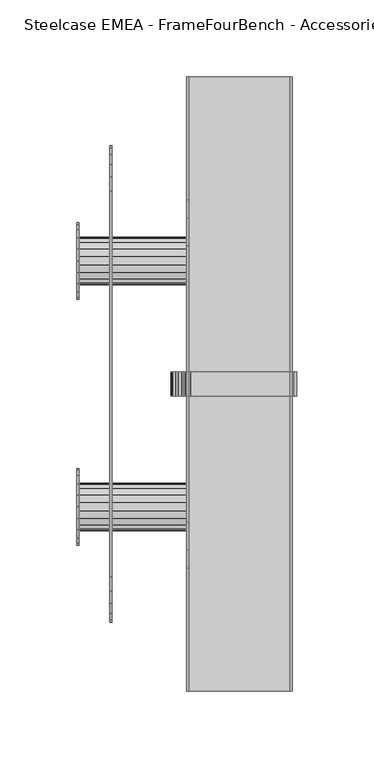
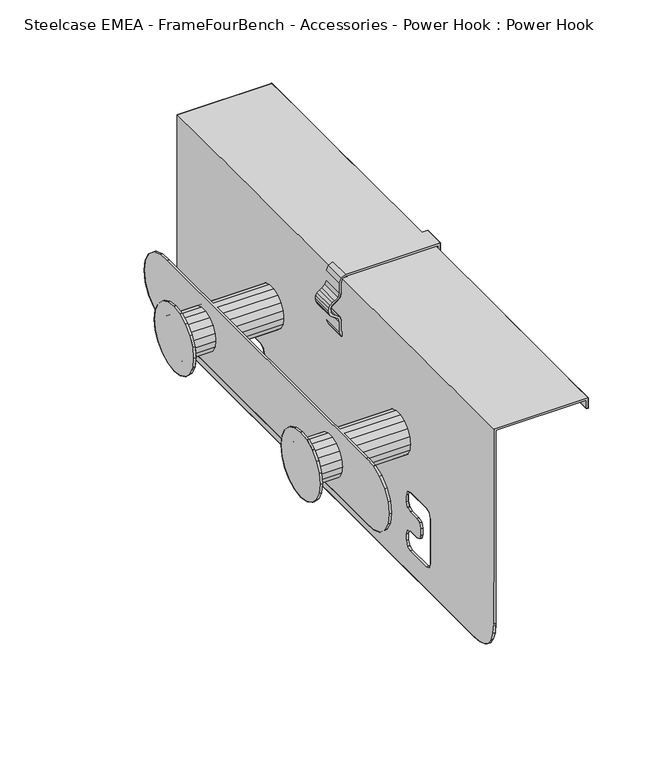
"""IFC4 building model written with IfcOpenShell, lengths in millimetres: furniture geometry, Steelcase EMEA - FrameFourBench - Accessories - Power Hook : Power Hook."""

from ifc_helpers import new_model, si_unit, origin, place, context, project, spatial, triangles, source, transform, mapped, element, save


def steelcase_emea_framefourbench_accessories_power_hook_power_973cae0b(model_context):
    return source(origin(), model_context, "Body", "Tessellation", [
        triangles([(226.5898487, -592.1582072, 1018.4996385), (226.5898487, -608.1581935, 1018.4996385), (226.5898487, -608.1581935, 970.4996393), (226.5898487, -592.1582072, 970.4996393), (157.5898467, -592.1582072, 970.4996393), (157.5898467, -608.1581935, 970.4996393), (154.0546905, -608.1581935, 971.9641166), (154.0546905, -592.1582072, 971.9641166), (152.5898467, -592.1582072, 975.4996384), (152.5898467, -608.1581935, 975.4996384), (152.5898467, -592.1582072, 983.1859175), (152.5898467, -608.1581935, 983.1859175), (151.6718781, -592.1582072, 986.0726372), (151.6718781, -608.1581935, 986.0726372), (149.2558626, -592.1582072, 987.8999671), (149.2558626, -608.1581935, 987.8999671), (145.8730499, -592.1582072, 990.4581958), (147.4414089, -592.1582072, 989.0739189), (147.4414089, -608.1581935, 989.0739189), (145.8730499, -608.1581935, 990.4581958), (144.5898462, -592.1582072, 994.4996392), (144.8964874, -592.1582072, 992.3338057), (144.8964874, -608.1581935, 992.3338057), (144.5898462, -608.1581935, 994.4996392), (157.5898467, -592.1582072, 1018.4996385), (157.5898467, -608.1581935, 1018.4996385), (154.0546905, -592.1582072, 1017.035161), (154.0546905, -608.1581935, 1017.035161), (152.5898467, -592.1582072, 1013.4996386), (152.5898467, -608.1581935, 1013.4996386), (152.5898467, -592.1582072, 1005.8133597), (152.5898467, -608.1581935, 1005.8133597), (151.6718781, -592.1582072, 1002.9265799), (151.6718781, -608.1581935, 1002.9265799), (149.2558626, -592.1582072, 1001.0992477), (149.2558626, -608.1581935, 1001.0992477), (145.8730499, -592.1582072, 998.5410815), (145.8730499, -608.1581935, 998.5410815), (147.4492215, -608.1581935, 999.9206587), (147.4492215, -592.1582072, 999.9206587), (144.8242217, -608.1581935, 996.6501507), (144.8242217, -592.1582072, 996.6501507), (224.5898482, -608.1581935, 1016.5242357), (224.5898482, -592.1582072, 1016.5242357), (224.5898482, -592.1582072, 972.474982), (224.5898482, -608.1581935, 972.474982), (157.5898467, -592.1582072, 972.474982), (157.5898467, -608.1581935, 972.474982), (155.468753, -592.1582072, 973.3783017), (155.468753, -608.1581935, 973.3783017), (154.5761749, -592.1582072, 975.4996384), (154.5761749, -608.1581935, 975.4996384), (154.5664092, -592.1582072, 983.4925576), (154.5664092, -608.1581935, 983.4925576), (153.3046904, -592.1582072, 987.227361), (153.3046904, -608.1581935, 987.227361), (150.4628937, -592.1582072, 989.4950006), (150.4628937, -608.1581935, 989.4950006), (148.8847688, -592.1582072, 990.470829), (148.8847688, -608.1581935, 990.470829), (147.5078157, -608.1581935, 991.6128582), (147.5078157, -592.1582072, 991.6128582), (146.8046905, -592.1582072, 992.9470269), (146.8046905, -608.1581935, 992.9470269), (157.5898467, -608.1581935, 1016.5242357), (157.5898467, -592.1582072, 1016.5242357), (155.468753, -608.1581935, 1015.6209154), (155.468753, -592.1582072, 1015.6209154), (154.5761749, -608.1581935, 1013.264531), (154.5761749, -592.1582072, 1013.264531), (154.5664092, -608.1581935, 1005.5066572), (154.5664092, -592.1582072, 1005.5066572), (153.3046904, -608.1581935, 1001.771855), (153.3046904, -592.1582072, 1001.771855), (150.4628937, -608.1581935, 999.5042165), (150.4628937, -592.1582072, 999.5042165), (148.8925814, -608.1581935, 998.5243583), (148.8925814, -592.1582072, 998.5243583), (147.5078157, -608.1581935, 997.3863566), (146.7519559, -608.1581935, 996.0412648), (147.5078157, -592.1582072, 997.3863566), (146.7519559, -592.1582072, 996.0412648), (146.5898468, -608.1581935, 994.4996392), (146.5898468, -592.1582072, 994.4996392), (156.0898467, -400.3183544, 1014.9996386), (154.5898467, -400.3183544, 1016.4996386), (223.5898456, -400.3183544, 1016.4996996), (222.0898463, -400.3183544, 1014.9996386), (154.5898467, -425.3124955, 1016.4996386), (154.5898467, -485.3183532, 1016.4996386), (223.5898456, -485.3164002, 1016.4996996), (223.5898456, -425.3105425, 1016.4996996), (222.0898463, -400.3183544, 1008.4996386), (223.5898456, -400.3183544, 1008.4996386), (223.5898456, -425.3105425, 1008.4996386), (222.0898463, -425.3105425, 1008.4996386), (156.0898467, -400.3183544, 866.4996374), (156.0898467, -401.0136669, 858.8607141), (154.5898467, -401.0136669, 858.8607141), (154.5898467, -400.3183544, 866.4996374), (156.0898467, -403.0956981, 852.6107141), (154.5898467, -403.0956981, 852.6107141), (156.0898467, -406.5683544, 847.7496373), (154.5898467, -406.5683544, 847.7496373), (156.0898467, -411.4296822, 844.277411), (154.5898467, -411.4296822, 844.277411), (156.0898467, -417.6796822, 842.1940897), (154.5898467, -417.6796822, 842.1940897), (156.0898467, -425.3183546, 841.4996372), (154.5898467, -425.3183546, 841.4996372), (154.5898467, -425.3144485, 866.5001279), (222.0898463, -425.3105425, 1014.9996386), (222.0898463, -485.3164002, 1008.4996386), (222.0898463, -485.3164002, 1014.9996386), (223.5898456, -485.3164002, 1008.4996386), (156.0898467, -425.3105425, 1014.9996386), (154.5898467, -400.3183544, 898.9997612), (154.5898467, -425.3144485, 899.0000065), (156.0898467, -400.3183544, 898.9997612), (154.5898467, -485.3183532, 841.4996372), (156.0898467, -485.3183532, 841.4996372), (154.5898467, -505.3183588, 841.4996372), (156.0898467, -505.3183588, 841.4996372), (154.5898467, -505.3183588, 1016.4996386), (154.5898467, -694.9960798, 1016.4996386), (223.5898456, -694.9960798, 1016.4996996), (223.5898456, -505.3163967, 1016.4996996), (222.0898463, -505.3163967, 1008.4996386), (222.0898463, -694.9960798, 1008.4996386), (222.0898463, -694.9960798, 1014.9996386), (222.0898463, -505.3163967, 1014.9996386), (223.5898456, -694.9960798, 1008.4996386), (223.5898456, -505.3163967, 1008.4996386), (154.5898467, -485.3183532, 903.9998194), (156.0898467, -485.3183532, 903.9997013), (156.0898467, -505.3183588, 903.9997013), (154.5898467, -505.3183588, 903.9998194), (154.5898467, -480.3203116, 863.9998808), (156.0898467, -480.3203116, 863.9996447), (156.0898467, -480.3183586, 898.9996976), (154.5898467, -480.3183586, 898.9998248), (154.5898467, -510.3183534, 893.9998847), (154.5898467, -510.3183534, 898.9998248), (156.0898467, -510.3183534, 898.9996976), (156.0898467, -510.3183534, 893.999703), (154.5898467, -497.3183566, 888.999881), (154.5898467, -505.3183588, 888.999881), (156.0898467, -505.3183588, 888.9996994), (156.0898467, -497.3183566, 888.9996994), (154.5898467, -492.3183529, 878.9996375), (154.5898467, -492.3183529, 883.9998864), (156.0898467, -492.3183529, 883.9996957), (156.0898467, -492.3183529, 878.9996375), (156.0898467, -510.3183534, 868.9996392), (156.0898467, -510.3183534, 863.9996447), (154.5898467, -510.3183534, 863.9998808), (154.5898467, -510.3183534, 868.9996392), (156.0898467, -497.3183566, 873.9996429), (156.0898467, -505.3183588, 873.9996429), (154.5898467, -505.3183588, 873.9996429), (154.5898467, -497.3183566, 873.9996429), (154.5898467, -505.3183588, 858.9998772), (156.0898467, -505.3183588, 858.999641), (156.0898467, -485.3203062, 858.999641), (154.5898467, -485.3203062, 858.9998772), (156.0898467, -694.9941359, 841.4996372), (154.5898467, -694.9941359, 841.4996372), (156.0898467, -508.9296845, 902.6107872), (154.5898467, -508.9296845, 902.6109052), (156.0898467, -508.9296845, 890.388559), (154.5898467, -508.9296845, 890.3887407), (156.0898467, -493.7070218, 887.6107852), (154.5898467, -493.7070218, 887.6109669), (156.0898467, -493.7089839, 875.3885571), (154.5898467, -493.7070218, 875.3885571), (156.0898467, -508.9296845, 860.388546), (154.5898467, -508.9296845, 860.3887459), (154.5898467, -508.9296845, 872.6107833), (156.0898467, -508.9296845, 872.6107833), (154.5898467, -481.7089805, 902.6109052), (156.0898467, -481.7089805, 902.6107872), (154.5898467, -481.7089805, 860.3887459), (156.0898467, -481.7089805, 860.388546), (156.0898467, -505.3163967, 1014.9996386), (156.0898467, -694.9960798, 1014.9996386), (154.5898467, -689.9960943, 898.9998248), (154.5898467, -691.3847631, 902.6109052), (154.5898467, -691.3847631, 860.3887459), (154.5898467, -689.9941322, 863.9998808), (156.0898467, -425.3144485, 866.5001279), (156.0898467, -425.3144485, 899.0000065), (156.0898467, -485.3183532, 1014.9996386), (156.0898467, -691.3828011, 872.6107833), (156.0898467, -689.9941322, 868.9996392), (156.0898467, -691.3847631, 890.388559), (156.0898467, -689.9960943, 893.999703), (156.0898467, -689.9960943, 898.9996976), (156.0898467, -799.9941403, 1014.9996386), (222.0898463, -799.9941403, 1014.9996386), (223.5898456, -799.9941403, 1016.4996996), (154.5898467, -799.9941403, 1016.4996386), (154.5898467, -775.0019521, 1016.4996386), (223.5898456, -775.0039142, 1016.4996996), (223.5898456, -714.9960945, 1016.4996996), (154.5898467, -714.9960945, 1016.4996386), (222.0898463, -799.9941403, 1008.4996386), (222.0898463, -775.0039142, 1008.4996386), (223.5898456, -775.0039142, 1008.4996386), (223.5898456, -799.9941403, 1008.4996386), (156.0898467, -799.9941403, 866.4996374), (154.5898467, -799.9941403, 866.4996374), (154.5898467, -799.3007596, 858.8607141), (156.0898467, -799.3007596, 858.8607141), (154.5898467, -797.2168025, 852.6107141), (156.0898467, -797.2168025, 852.6107141), (154.5898467, -793.7441221, 847.7496373), (156.0898467, -793.7441221, 847.7496373), (154.5898467, -788.884753, 844.277411), (156.0898467, -788.884753, 844.277411), (154.5898467, -782.6347711, 842.1940897), (156.0898467, -782.6347711, 842.1940897), (154.5898467, -774.9961022, 841.4996372), (156.0898467, -774.9941401, 841.4996372), (154.5898467, -774.9980279, 866.5001279), (222.0898463, -775.0039142, 1014.9996386), (222.0898463, -714.9960945, 1014.9996386), (222.0898463, -714.9960945, 1008.4996386), (223.5898456, -714.9960945, 1008.4996386), (156.0898467, -775.0019521, 1014.9996386), (154.5898467, -774.99999, 899.0000065), (154.5898467, -799.9941403, 898.9997612), (156.0898467, -799.9941403, 898.9997612), (154.5898467, -714.9960945, 841.4996372), (156.0898467, -714.9960945, 841.4996372), (154.5898467, -714.9941324, 903.9998194), (154.5898467, -694.9960798, 903.9998194), (156.0898467, -694.9960798, 903.9997013), (156.0898467, -714.9941324, 903.9997013), (154.5898467, -719.9941179, 863.9998808), (154.5898467, -719.9941179, 898.9998248), (156.0898467, -719.9941179, 898.9996976), (156.0898467, -719.9921921, 863.9996447), (154.5898467, -689.9960943, 893.9998847), (154.5898467, -702.9941381, 888.999881), (156.0898467, -702.9941381, 888.9996994), (156.0898467, -694.9941359, 888.9996994), (154.5898467, -694.9960798, 888.999881), (154.5898467, -707.9941236, 878.9996375), (156.0898467, -707.9941236, 878.9996375), (156.0898467, -707.9941236, 883.9996957), (154.5898467, -707.9941236, 883.9998864), (154.5898467, -689.9941322, 868.9996392), (156.0898467, -689.9941322, 863.9996447), (156.0898467, -702.9941381, 873.9996429), (154.5898467, -702.9941381, 873.9996429), (154.5898467, -694.9941359, 873.9996429), (156.0898467, -694.9941359, 873.9996429), (154.5898467, -694.9941359, 858.9998772), (154.5898467, -714.9941324, 858.9998772), (156.0898467, -714.9921703, 858.999641), (156.0898467, -694.9941359, 858.999641), (156.0898467, -691.3847631, 902.6107872), (154.5898467, -691.3847631, 890.3887407), (154.5898467, -706.6054729, 887.6109669), (156.0898467, -706.6054729, 887.6107852), (154.5898467, -706.6054729, 875.3885571), (156.0898467, -706.6054729, 875.3885571), (156.0898467, -691.3828011, 860.388546), (154.5898467, -691.3847631, 872.6107833), (154.5898467, -718.6054672, 902.6109052), (156.0898467, -718.6054672, 902.6107872), (156.0898467, -718.6035051, 860.388546), (154.5898467, -718.6054672, 860.3887459), (156.0898467, -774.9980279, 866.5001279), (156.0898467, -774.99999, 899.0000065), (156.0898467, -714.9960945, 1014.9996386), (154.5898467, -535.5156163, 941.499638), (154.5898467, -534.587884, 946.7518973), (84.5898453, -534.587884, 946.7518973), (84.5898453, -535.5156163, 941.499638), (154.5898467, -531.9218676, 951.3706697), (84.5898453, -531.9218676, 951.3706697), (154.5898467, -527.8359342, 954.7988308), (84.5898453, -527.8359342, 954.7988308), (154.5898467, -522.8242125, 956.6229291), (84.5898453, -522.8242125, 956.6229291), (154.5898467, -517.4921797, 956.6229291), (84.5898453, -517.4921797, 956.6229291), (154.5898467, -512.4804671, 954.7988308), (84.5898453, -512.4804671, 954.7988308), (154.5898467, -508.3945246, 951.3706697), (84.5898453, -508.3945246, 951.3706697), (154.5898467, -505.7285082, 946.7518973), (84.5898453, -505.7285082, 946.7518973), (154.5898467, -504.8007759, 941.499638), (84.5898453, -504.8007759, 941.499638), (154.5898467, -505.7285082, 936.2473786), (84.5898453, -505.7285082, 936.2473786), (154.5898467, -508.3945246, 931.6286017), (84.5898453, -508.3945246, 931.6286017), (154.5898467, -512.4804671, 928.2004407), (84.5898453, -512.4804671, 928.2004407), (154.5898467, -517.4921797, 926.3763514), (84.5898453, -517.4921797, 926.3763514), (154.5898467, -522.8242125, 926.3763514), (84.5898453, -522.8242125, 926.3763514), (154.5898467, -527.8359342, 928.2004407), (84.5898453, -527.8359342, 928.2004407), (154.5898467, -531.9218676, 931.6286017), (84.5898453, -531.9218676, 931.6286017), (154.5898467, -534.587884, 936.247315), (84.5898453, -534.587884, 936.247315), (154.5898467, -695.5156157, 941.499638), (154.5898467, -694.5878925, 946.7518973), (84.5898453, -694.5878925, 946.7518973), (84.5898453, -695.5156157, 941.499638), (154.5898467, -691.921867, 951.3706697), (84.5898453, -691.921867, 951.3706697), (154.5898467, -687.8359245, 954.7988308), (84.5898453, -687.8359245, 954.7988308), (154.5898467, -682.824221, 956.6229291), (84.5898453, -682.824221, 956.6229291), (154.5898467, -677.4921882, 956.6229291), (84.5898453, -677.4921882, 956.6229291), (154.5898467, -672.4804665, 954.7988308), (84.5898453, -672.4804665, 954.7988308), (154.5898467, -668.394524, 951.3706697), (84.5898453, -668.394524, 951.3706697), (154.5898467, -665.7285167, 946.7518973), (84.5898453, -665.7285167, 946.7518973), (154.5898467, -664.8007753, 941.499638), (84.5898453, -664.8007753, 941.499638), (154.5898467, -665.7285167, 936.2473786), (84.5898453, -665.7285167, 936.2473786), (154.5898467, -668.394524, 931.6286017), (84.5898453, -668.394524, 931.6286017), (154.5898467, -672.4804665, 928.2004407), (84.5898453, -672.4804665, 928.2004407), (154.5898467, -677.4921882, 926.3763514), (84.5898453, -677.4921882, 926.3763514), (154.5898467, -682.824221, 926.3763514), (84.5898453, -682.824221, 926.3763514), (154.5898467, -687.8359245, 928.2004407), (84.5898453, -687.8359245, 928.2004407), (154.5898467, -691.921867, 931.6286017), (84.5898453, -691.921867, 931.6286017), (154.5898467, -694.5878925, 936.247315), (84.5898453, -694.5878925, 936.247315), (106.0898456, -474.3847591, 966.5000061), (106.0898456, -465.7363226, 966.0224053), (104.5898463, -465.7363226, 966.0224053), (104.5898463, -474.3847591, 966.5000061), (106.0898456, -457.6093705, 963.0646416), (104.5898463, -457.6093705, 963.0646416), (106.0898456, -450.9863236, 957.5058648), (104.5898463, -450.9863236, 957.5058648), (106.0898456, -446.6621054, 950.0165464), (104.5898463, -446.6621054, 950.0165464), (106.0898456, -445.1601531, 941.5000059), (104.5898463, -445.1601531, 941.5000059), (106.0898456, -446.6621054, 932.9834609), (104.5898463, -446.6621054, 932.9834609), (106.0898456, -450.9863236, 925.4941469), (104.5898463, -450.9863236, 925.4941469), (106.0898456, -457.6093705, 919.9353111), (104.5898463, -457.6093705, 919.9353111), (106.0898456, -465.7363226, 916.9775429), (104.5898463, -465.7363226, 916.9775429), (106.0898456, -474.3847591, 916.5000011), (104.5898463, -474.3847591, 916.5000011), (106.0898456, -474.3847591, 941.5000649), (104.5898463, -474.3847591, 940.948368), (106.0898456, -725.9316188, 916.5000011), (104.5898463, -725.9316188, 916.5000011), (106.0898456, -725.9316188, 941.5000649), (106.0898456, -725.9316188, 966.5000061), (104.5898463, -725.9316188, 966.5000061), (104.5898463, -734.5800735, 966.0224053), (106.0898456, -734.5800735, 966.0224053), (104.5898463, -742.7050863, 963.0646416), (106.0898456, -742.7050863, 963.0646416), (104.5898463, -749.3300816, 957.5058648), (106.0898456, -749.3300816, 957.5058648), (104.5898463, -753.6543089, 950.0165464), (106.0898456, -753.6543089, 950.0165464), (104.5898463, -755.1562521, 941.5000059), (106.0898456, -755.1562521, 941.5000059), (104.5898463, -753.6543089, 932.9834609), (106.0898456, -753.6543089, 932.9834609), (104.5898463, -749.3300816, 925.4941469), (106.0898456, -749.3300816, 925.4941469), (104.5898463, -742.7050863, 919.9353111), (106.0898456, -742.7050863, 919.9353111), (106.0898456, -734.5800735, 916.9775429), (104.5898463, -734.5800735, 916.9775429), (104.5898463, -725.9316188, 940.948368), (84.5898453, -705.1582139, 941.499638), (84.5898453, -703.9355414, 949.2250431), (83.089846, -703.9355414, 949.2250431), (83.089846, -705.1582139, 941.499638), (84.5898453, -700.3828149, 956.1942806), (83.089846, -700.3828149, 956.1942806), (84.5898453, -694.8535194, 961.7250432), (83.089846, -694.8535194, 961.7250432), (84.5898453, -687.8828148, 965.2760074), (83.089846, -687.8828148, 965.2760074), (84.5898453, -680.1581955, 966.4996382), (83.089846, -680.1581955, 966.4996382), (84.5898453, -672.4335943, 965.2760074), (83.089846, -672.4335943, 965.2760074), (84.5898453, -665.4628897, 961.7250432), (83.089846, -665.4628897, 961.7250432), (84.5898453, -659.9335942, 956.1942171), (83.089846, -659.9335942, 956.1942171), (84.5898453, -656.3808496, 949.2250431), (83.089846, -656.3808496, 949.2250431), (84.5898453, -655.1581953, 941.499638), (83.089846, -655.1581953, 941.499638), (84.5898453, -656.3808496, 933.7741739), (83.089846, -656.3808496, 933.7741739), (84.5898453, -659.9335942, 926.8049953), (83.089846, -659.9335942, 926.8049953), (84.5898453, -665.4628897, 921.2741738), (83.089846, -665.4628897, 921.2741738), (84.5898453, -672.4335943, 917.7232095), (83.089846, -672.4335943, 917.7232095), (84.5898453, -680.1581955, 916.4996378), (83.089846, -680.1581955, 916.4996378), (84.5898453, -687.8828148, 917.7232095), (83.089846, -687.8828148, 917.7232095), (84.5898453, -694.8535194, 921.2742373), (83.089846, -694.8535194, 921.2742373), (84.5898453, -700.3828149, 926.8049953), (83.089846, -700.3828149, 926.8049953), (84.5898453, -703.9355414, 933.7742374), (83.089846, -703.9355414, 933.7742374), (84.5898453, -680.1581955, 941.499638), (83.089846, -680.1581955, 941.499638), (84.5898453, -545.1581963, 941.499638), (84.5898453, -543.935542, 949.2250431), (83.089846, -543.935542, 949.2250431), (83.089846, -545.1581963, 941.499638), (84.5898453, -540.3828064, 956.1942806), (83.089846, -540.3828064, 956.1942806), (84.5898453, -534.853511, 961.7250432), (83.089846, -534.853511, 961.7250432), (84.5898453, -527.8828063, 965.2760074), (83.089846, -527.8828063, 965.2760074), (84.5898453, -520.1581961, 966.4996382), (83.089846, -520.1581961, 966.4996382), (84.5898453, -512.4335858, 965.2760074), (83.089846, -512.4335858, 965.2760074), (84.5898453, -505.4628812, 961.7250432), (83.089846, -505.4628812, 961.7250432), (84.5898453, -499.9335857, 956.1942171), (83.089846, -499.9335857, 956.1942171), (84.5898453, -496.3808502, 949.2250431), (83.089846, -496.3808502, 949.2250431), (84.5898453, -495.1581959, 941.499638), (83.089846, -495.1581959, 941.499638), (84.5898453, -496.3808502, 933.7741739), (83.089846, -496.3808502, 933.7741739), (84.5898453, -499.9335857, 926.8049953), (83.089846, -499.9335857, 926.8049953), (84.5898453, -505.4628812, 921.2741738), (83.089846, -505.4628812, 921.2741738), (84.5898453, -512.4335858, 917.7232095), (83.089846, -512.4335858, 917.7232095), (84.5898453, -520.1581961, 916.4996378), (83.089846, -520.1581961, 916.4996378), (84.5898453, -527.8828063, 917.7232095), (83.089846, -527.8828063, 917.7232095), (84.5898453, -534.853511, 921.2742373), (83.089846, -534.853511, 921.2742373), (84.5898453, -540.3828064, 926.8049953), (83.089846, -540.3828064, 926.8049953), (84.5898453, -543.935542, 933.7742374), (83.089846, -543.935542, 933.7742374), (84.5898453, -520.1581961, 941.499638), (83.089846, -520.1581961, 941.499638)], [[1, 2, 3], [1, 3, 4], [5, 4, 3], [5, 3, 6], [5, 6, 7], [5, 7, 8], [9, 8, 7], [9, 7, 10], [11, 9, 10], [11, 10, 12], [13, 11, 12], [13, 12, 14], [15, 13, 14], [15, 14, 16], [17, 18, 19], [17, 19, 20], [21, 22, 23], [21, 23, 24], [25, 26, 2], [25, 2, 1], [27, 28, 26], [27, 26, 25], [29, 30, 28], [29, 28, 27], [31, 32, 30], [31, 30, 29], [33, 34, 32], [33, 32, 31], [35, 36, 34], [35, 34, 33], [37, 38, 39], [37, 39, 40], [21, 24, 41], [21, 41, 42], [43, 44, 45], [43, 45, 46], [46, 45, 47], [46, 47, 48], [48, 47, 49], [48, 49, 50], [50, 49, 51], [50, 51, 52], [52, 51, 53], [52, 53, 54], [54, 53, 55], [54, 55, 56], [56, 55, 57], [56, 57, 58], [58, 57, 59], [58, 59, 60], [61, 62, 63], [61, 63, 64], [43, 65, 66], [43, 66, 44], [65, 67, 68], [65, 68, 66], [67, 69, 70], [67, 70, 68], [69, 71, 72], [69, 72, 70], [71, 73, 72], [73, 74, 72], [73, 75, 74], [75, 76, 74], [75, 77, 76], [77, 78, 76], [79, 80, 81], [80, 82, 81], [4, 45, 44], [4, 44, 1], [2, 43, 46], [2, 46, 3], [4, 5, 47], [4, 47, 45], [6, 3, 46], [6, 46, 48], [5, 8, 49], [5, 49, 47], [6, 48, 50], [6, 50, 7], [8, 9, 51], [8, 51, 49], [10, 7, 50], [10, 50, 52], [9, 11, 53], [9, 53, 51], [12, 10, 52], [12, 52, 54], [11, 13, 55], [11, 55, 53], [14, 12, 54], [14, 54, 56], [13, 15, 57], [13, 57, 55], [16, 14, 58], [14, 56, 58], [15, 18, 59], [15, 59, 57], [20, 19, 61], [19, 60, 61], [17, 22, 63], [17, 63, 62], [24, 23, 64], [24, 64, 83], [2, 26, 65], [2, 65, 43], [25, 1, 44], [25, 44, 66], [26, 28, 67], [26, 67, 65], [27, 25, 66], [27, 66, 68], [28, 30, 69], [28, 69, 67], [27, 68, 70], [27, 70, 29], [30, 32, 71], [30, 71, 69], [31, 29, 70], [31, 70, 72], [32, 34, 73], [32, 73, 71], [33, 31, 72], [33, 72, 74], [34, 36, 75], [34, 75, 73], [35, 33, 76], [33, 74, 76], [36, 39, 77], [36, 77, 75], [37, 40, 81], [40, 78, 81], [38, 41, 80], [38, 80, 79], [21, 42, 82], [21, 82, 84], [41, 38, 37], [41, 37, 42], [80, 83, 82], [83, 84, 82], [41, 24, 83], [41, 83, 80], [42, 37, 81], [42, 81, 82], [22, 17, 20], [22, 20, 23], [63, 84, 64], [84, 83, 64], [22, 21, 84], [22, 84, 63], [23, 20, 64], [20, 61, 64], [18, 15, 16], [18, 16, 19], [59, 62, 61], [59, 61, 60], [18, 17, 62], [18, 62, 59], [19, 16, 60], [16, 58, 60], [39, 36, 35], [39, 35, 40], [77, 79, 78], [79, 81, 78], [39, 38, 79], [39, 79, 77], [40, 35, 78], [35, 76, 78], [85, 86, 87], [85, 87, 88], [89, 90, 91], [89, 91, 92], [93, 94, 95], [93, 95, 96], [87, 92, 95], [87, 95, 94], [88, 87, 94], [88, 94, 93], [97, 98, 99], [97, 99, 100], [98, 101, 102], [98, 102, 99], [101, 103, 104], [101, 104, 102], [103, 105, 106], [103, 106, 104], [105, 107, 108], [105, 108, 106], [107, 109, 110], [107, 110, 108], [100, 99, 102], [100, 102, 111], [112, 96, 113], [112, 113, 114], [102, 104, 106], [102, 106, 111], [106, 108, 110], [106, 110, 111], [95, 115, 113], [95, 113, 96], [92, 91, 115], [92, 115, 95], [112, 88, 93], [112, 93, 96], [116, 85, 88], [116, 88, 112], [92, 87, 86], [92, 86, 89], [89, 86, 117], [89, 117, 118], [119, 97, 100], [119, 100, 117], [117, 100, 111], [117, 111, 118], [120, 110, 109], [120, 109, 121], [122, 120, 121], [122, 121, 123], [124, 125, 126], [124, 126, 127], [128, 129, 130], [128, 130, 131], [127, 126, 132], [127, 132, 133], [134, 135, 136], [134, 136, 137], [138, 139, 140], [138, 140, 141], [142, 143, 144], [142, 144, 145], [146, 147, 148], [146, 148, 149], [150, 151, 152], [150, 152, 153], [154, 155, 156], [154, 156, 157], [158, 159, 160], [158, 160, 161], [162, 163, 164], [162, 164, 165], [122, 123, 166], [122, 166, 167], [85, 119, 117], [85, 117, 86], [136, 168, 169], [136, 169, 137], [145, 170, 171], [145, 171, 142], [149, 172, 173], [149, 173, 146], [153, 174, 175], [153, 175, 150], [155, 176, 177], [155, 177, 156], [157, 178, 179], [157, 179, 154], [178, 171, 147], [178, 147, 160], [168, 144, 143], [168, 143, 169], [170, 148, 147], [170, 147, 171], [172, 152, 151], [172, 151, 173], [174, 158, 161], [174, 161, 175], [176, 163, 162], [176, 162, 177], [178, 160, 159], [178, 159, 179], [89, 118, 141], [89, 141, 180], [134, 180, 181], [134, 181, 135], [138, 182, 183], [138, 183, 139], [180, 141, 140], [180, 140, 181], [182, 165, 164], [182, 164, 183], [184, 131, 130], [184, 130, 185], [146, 173, 161], [173, 175, 161], [165, 182, 120], [182, 110, 120], [182, 138, 111], [182, 111, 110], [118, 111, 138], [118, 138, 141], [180, 134, 90], [180, 90, 89], [173, 151, 150], [173, 150, 175], [147, 146, 160], [146, 161, 160], [186, 187, 169], [186, 169, 143], [162, 165, 120], [162, 120, 122], [156, 177, 188], [156, 188, 189], [124, 90, 134], [124, 134, 137], [97, 190, 101], [97, 101, 98], [101, 190, 105], [101, 105, 103], [105, 190, 109], [105, 109, 107], [116, 191, 119], [116, 119, 85], [119, 191, 190], [119, 190, 97], [179, 159, 148], [179, 148, 170], [116, 181, 140], [116, 140, 191], [149, 158, 172], [158, 174, 172], [164, 121, 183], [121, 109, 183], [183, 109, 190], [183, 190, 139], [191, 140, 139], [191, 139, 190], [181, 116, 192], [181, 192, 135], [172, 174, 153], [172, 153, 152], [148, 159, 149], [159, 158, 149], [163, 123, 121], [163, 121, 164], [179, 193, 194], [179, 194, 154], [184, 136, 135], [184, 135, 192], [170, 195, 193], [170, 193, 179], [145, 196, 195], [145, 195, 170], [144, 197, 196], [144, 196, 145], [113, 128, 131], [113, 131, 114], [115, 133, 113], [133, 128, 113], [91, 127, 133], [91, 133, 115], [90, 124, 127], [90, 127, 91], [112, 114, 192], [112, 192, 116], [131, 184, 192], [131, 192, 114], [198, 199, 200], [198, 200, 201], [202, 203, 204], [202, 204, 205], [206, 207, 208], [206, 208, 209], [200, 209, 208], [200, 208, 203], [199, 206, 209], [199, 209, 200], [210, 211, 212], [210, 212, 213], [213, 212, 214], [213, 214, 215], [215, 214, 216], [215, 216, 217], [217, 216, 218], [217, 218, 219], [219, 218, 220], [219, 220, 221], [221, 220, 222], [221, 222, 223], [211, 224, 214], [211, 214, 212], [225, 226, 227], [225, 227, 207], [214, 224, 216], [224, 218, 216], [218, 224, 220], [224, 222, 220], [208, 207, 227], [208, 227, 228], [203, 208, 228], [203, 228, 204], [225, 207, 206], [225, 206, 199], [229, 225, 199], [229, 199, 198], [203, 202, 201], [203, 201, 200], [202, 230, 231], [202, 231, 201], [232, 231, 211], [232, 211, 210], [231, 230, 211], [230, 224, 211], [233, 234, 223], [233, 223, 222], [167, 166, 234], [167, 234, 233], [235, 236, 237], [235, 237, 238], [239, 240, 241], [239, 241, 242], [243, 196, 197], [243, 197, 186], [244, 245, 246], [244, 246, 247], [248, 249, 250], [248, 250, 251], [194, 252, 189], [194, 189, 253], [254, 255, 256], [254, 256, 257], [258, 259, 260], [258, 260, 261], [198, 201, 231], [198, 231, 232], [237, 236, 187], [237, 187, 262], [196, 243, 263], [196, 263, 195], [245, 244, 264], [245, 264, 265], [249, 248, 266], [249, 266, 267], [253, 189, 188], [253, 188, 268], [252, 194, 193], [252, 193, 269], [269, 256, 247], [269, 247, 263], [262, 187, 186], [262, 186, 197], [195, 263, 247], [195, 247, 246], [265, 264, 251], [265, 251, 250], [267, 266, 255], [267, 255, 254], [268, 188, 258], [268, 258, 261], [269, 193, 257], [269, 257, 256], [202, 270, 240], [202, 240, 230], [235, 238, 271], [235, 271, 270], [239, 242, 272], [239, 272, 273], [270, 271, 241], [270, 241, 240], [273, 272, 260], [273, 260, 259], [128, 133, 132], [128, 132, 129], [244, 255, 266], [244, 266, 264], [259, 233, 222], [259, 222, 273], [273, 222, 239], [222, 224, 239], [230, 240, 224], [240, 239, 224], [270, 202, 205], [270, 205, 235], [264, 266, 248], [264, 248, 251], [247, 256, 255], [247, 255, 244], [252, 157, 156], [252, 156, 189], [258, 167, 233], [258, 233, 259], [269, 178, 157], [269, 157, 252], [125, 236, 235], [125, 235, 205], [263, 171, 178], [263, 178, 269], [243, 142, 171], [243, 171, 263], [186, 143, 142], [186, 142, 243], [210, 213, 215], [210, 215, 274], [215, 217, 274], [217, 219, 274], [219, 221, 274], [221, 223, 274], [229, 198, 232], [229, 232, 275], [232, 210, 275], [210, 274, 275], [193, 195, 246], [193, 246, 257], [229, 275, 241], [229, 241, 271], [245, 265, 267], [245, 267, 254], [260, 272, 223], [260, 223, 234], [272, 242, 223], [242, 274, 223], [275, 274, 241], [274, 242, 241], [271, 238, 276], [271, 276, 229], [265, 250, 249], [265, 249, 267], [246, 245, 254], [246, 254, 257], [144, 168, 262], [144, 262, 197], [194, 253, 155], [194, 155, 154], [261, 260, 234], [261, 234, 166], [253, 268, 176], [253, 176, 155], [185, 276, 238], [185, 238, 237], [227, 226, 130], [227, 130, 129], [228, 227, 129], [228, 129, 132], [204, 228, 132], [204, 132, 126], [205, 204, 126], [205, 126, 125], [225, 229, 276], [225, 276, 226], [130, 226, 276], [130, 276, 185], [177, 162, 258], [177, 258, 188], [268, 261, 163], [268, 163, 176], [187, 236, 137], [187, 137, 169], [168, 136, 262], [136, 237, 262], [236, 125, 124], [236, 124, 137], [136, 184, 185], [136, 185, 237], [162, 122, 167], [162, 167, 258], [261, 166, 123], [261, 123, 163], [277, 278, 279], [277, 279, 280], [278, 281, 282], [278, 282, 279], [281, 283, 284], [281, 284, 282], [283, 285, 286], [283, 286, 284], [285, 287, 288], [285, 288, 286], [287, 289, 290], [287, 290, 288], [289, 291, 292], [289, 292, 290], [291, 293, 294], [291, 294, 292], [293, 295, 296], [293, 296, 294], [295, 297, 298], [295, 298, 296], [297, 299, 300], [297, 300, 298], [299, 301, 302], [299, 302, 300], [301, 303, 304], [301, 304, 302], [303, 305, 306], [303, 306, 304], [305, 307, 308], [305, 308, 306], [307, 309, 310], [307, 310, 308], [309, 311, 312], [309, 312, 310], [311, 277, 280], [311, 280, 312], [313, 314, 315], [313, 315, 316], [314, 317, 318], [314, 318, 315], [317, 319, 320], [317, 320, 318], [319, 321, 322], [319, 322, 320], [321, 323, 324], [321, 324, 322], [323, 325, 326], [323, 326, 324], [325, 327, 328], [325, 328, 326], [327, 329, 330], [327, 330, 328], [329, 331, 332], [329, 332, 330], [331, 333, 334], [331, 334, 332], [333, 335, 336], [333, 336, 334], [335, 337, 338], [335, 338, 336], [337, 339, 340], [337, 340, 338], [339, 341, 342], [339, 342, 340], [341, 343, 344], [341, 344, 342], [343, 345, 346], [343, 346, 344], [345, 347, 348], [345, 348, 346], [347, 313, 316], [347, 316, 348], [349, 350, 351], [349, 351, 352], [350, 353, 354], [350, 354, 351], [353, 355, 356], [353, 356, 354], [355, 357, 358], [355, 358, 356], [357, 359, 360], [357, 360, 358], [359, 361, 362], [359, 362, 360], [361, 363, 364], [361, 364, 362], [363, 365, 366], [363, 366, 364], [365, 367, 368], [365, 368, 366], [367, 369, 370], [367, 370, 368], [369, 367, 371], [367, 365, 371], [352, 351, 354], [352, 354, 372], [370, 369, 373], [370, 373, 374], [369, 371, 375], [369, 375, 373], [354, 356, 358], [354, 358, 372], [353, 350, 349], [353, 349, 371], [365, 363, 361], [365, 361, 371], [366, 368, 370], [366, 370, 372], [362, 364, 366], [362, 366, 372], [361, 359, 357], [361, 357, 371], [357, 355, 353], [357, 353, 371], [358, 360, 362], [358, 362, 372], [376, 377, 378], [376, 378, 379], [379, 378, 380], [379, 380, 381], [381, 380, 382], [381, 382, 383], [383, 382, 384], [383, 384, 385], [385, 384, 386], [385, 386, 387], [387, 386, 388], [387, 388, 389], [389, 388, 390], [389, 390, 391], [391, 390, 392], [391, 392, 393], [393, 392, 394], [392, 395, 394], [394, 395, 373], [395, 374, 373], [373, 375, 393], [373, 393, 394], [377, 396, 380], [377, 380, 378], [376, 349, 352], [376, 352, 377], [377, 352, 396], [352, 372, 396], [396, 372, 370], [396, 370, 374], [375, 371, 349], [375, 349, 376], [380, 396, 384], [380, 384, 382], [381, 375, 376], [381, 376, 379], [393, 375, 389], [393, 389, 391], [392, 396, 395], [396, 374, 395], [388, 396, 390], [396, 392, 390], [389, 375, 387], [375, 385, 387], [385, 375, 383], [375, 381, 383], [384, 396, 388], [384, 388, 386], [397, 398, 399], [397, 399, 400], [398, 401, 402], [398, 402, 399], [401, 403, 404], [401, 404, 402], [403, 405, 406], [403, 406, 404], [405, 407, 408], [405, 408, 406], [407, 409, 410], [407, 410, 408], [409, 411, 412], [409, 412, 410], [411, 413, 414], [411, 414, 412], [413, 415, 416], [413, 416, 414], [415, 417, 418], [415, 418, 416], [417, 419, 420], [417, 420, 418], [419, 421, 422], [419, 422, 420], [421, 423, 424], [421, 424, 422], [423, 425, 426], [423, 426, 424], [425, 427, 428], [425, 428, 426], [427, 429, 430], [427, 430, 428], [429, 431, 432], [429, 432, 430], [431, 433, 434], [431, 434, 432], [433, 435, 436], [433, 436, 434], [435, 397, 400], [435, 400, 436], [431, 429, 437], [429, 427, 437], [438, 432, 434], [438, 434, 436], [423, 421, 419], [423, 419, 437], [408, 410, 412], [408, 412, 438], [420, 422, 424], [420, 424, 438], [438, 428, 430], [438, 430, 432], [436, 400, 438], [400, 399, 438], [438, 412, 414], [438, 414, 416], [404, 406, 408], [404, 408, 438], [438, 416, 418], [438, 418, 420], [424, 426, 428], [424, 428, 438], [438, 399, 402], [438, 402, 404], [411, 409, 407], [411, 407, 437], [437, 407, 403], [407, 405, 403], [435, 433, 437], [433, 431, 437], [437, 427, 423], [427, 425, 423], [419, 417, 415], [419, 415, 437], [437, 403, 401], [437, 401, 398], [415, 413, 411], [415, 411, 437], [437, 398, 397], [437, 397, 435], [439, 440, 441], [439, 441, 442], [440, 443, 444], [440, 444, 441], [443, 445, 446], [443, 446, 444], [445, 447, 448], [445, 448, 446], [447, 449, 450], [447, 450, 448], [449, 451, 452], [449, 452, 450], [451, 453, 454], [451, 454, 452], [453, 455, 456], [453, 456, 454], [455, 457, 458], [455, 458, 456], [457, 459, 460], [457, 460, 458], [459, 461, 462], [459, 462, 460], [461, 463, 464], [461, 464, 462], [463, 465, 466], [463, 466, 464], [465, 467, 468], [465, 468, 466], [467, 469, 470], [467, 470, 468], [469, 471, 472], [469, 472, 470], [471, 473, 474], [471, 474, 472], [473, 475, 476], [473, 476, 474], [475, 477, 478], [475, 478, 476], [477, 439, 442], [477, 442, 478], [473, 471, 479], [471, 469, 479], [480, 474, 476], [480, 476, 478], [465, 463, 461], [465, 461, 479], [450, 452, 454], [450, 454, 480], [462, 464, 466], [462, 466, 480], [480, 470, 472], [480, 472, 474], [478, 442, 480], [442, 441, 480], [480, 454, 456], [480, 456, 458], [446, 448, 450], [446, 450, 480], [480, 458, 460], [480, 460, 462], [466, 468, 470], [466, 470, 480], [480, 441, 444], [480, 444, 446], [453, 451, 449], [453, 449, 479], [479, 449, 447], [479, 447, 445], [477, 475, 479], [475, 473, 479], [479, 469, 467], [479, 467, 465], [461, 459, 457], [461, 457, 479], [479, 445, 443], [479, 443, 440], [457, 455, 479], [455, 453, 479], [479, 440, 439], [479, 439, 477]], closed=False),
    ])


if __name__ == "__main__":
    model = new_model("IFC4")
    model_context = context("Model", 3, world=origin())
    ifc_project = project(units=[si_unit("LENGTHUNIT", "METRE", prefix="MILLI")], contexts=[model_context])
    site = spatial("IfcSite", under=ifc_project)
    building = spatial("IfcBuilding", under=site)
    placement = place(None, origin())
    steelcase_emea_framefourbench_accessories_power_hook_power_shape = steelcase_emea_framefourbench_accessories_power_hook_power_973cae0b(model_context)
    element("IfcFurniture", 1, ObjectType="Steelcase EMEA - FrameFourBench - Accessories - Power Hook : Power Hook", at=placement, inside=building, context=model_context, shape_type="MappedRepresentation", body=[
        mapped(steelcase_emea_framefourbench_accessories_power_hook_power_shape, transform((0.0, 0.0, 0.0), x_axis=(1.0, 0.0, 0.0), y_axis=(0.0, 1.0, 0.0), z_axis=(0.0, 0.0, 1.0))),
    ])
    save(model, "model.ifc")
